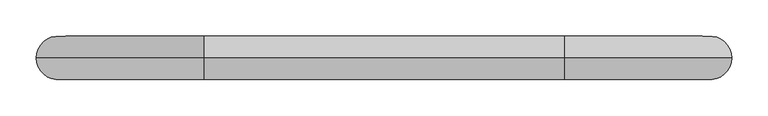
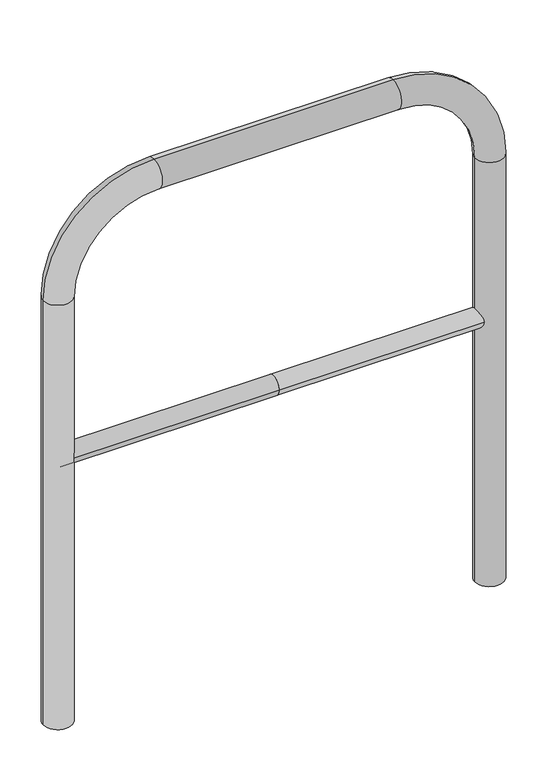
"""IFC4 building model written with IfcOpenShell, lengths in millimetres: proxy geometry."""

import ifcopenshell
import ifcopenshell.guid

model = None  # the IFC model being written
_history = None  # IfcOwnerHistory: only IFC2X3 demands one
_inside = {}  # id of a spatial element -> (the spatial element, [elements in it])
_under = {}  # id of a project, library or spatial element -> (it, [spatial elements below it])
_declared = {}  # id of a project -> (the project, [libraries it declares])
_typed = {}  # id of a type object -> (the type object, [elements of that type])
_made_of = {}  # id of a material, layer set ... -> (it, [elements and type objects made of it])


def new_model(schema):
    """Start an empty IFC model of exactly this schema.

    Asked for "IFC4X3", IfcOpenShell would pick the latest addendum, in which some entities
    have other attributes; the version numbers below select the first issue.
    IFC2X3 requires an IfcOwnerHistory on every rooted entity: one is made here for all.
    """
    global model, _history
    if schema == "IFC4X3":
        model = ifcopenshell.file(schema_version=(4, 3, 0, 0))
    else:
        model = ifcopenshell.file(schema=schema)
    _inside.clear()
    _under.clear()
    _declared.clear()
    _typed.clear()
    _made_of.clear()
    _history = None
    if model.schema == "IFC2X3":
        org = make("IfcOrganization", Name="unknown")
        user = make(
            "IfcPersonAndOrganization",
            ThePerson=make("IfcPerson", FamilyName="unknown"),
            TheOrganization=org,
        )
        app = make(
            "IfcApplication",
            ApplicationDeveloper=org,
            Version="unknown",
            ApplicationFullName="unknown",
            ApplicationIdentifier="unknown",
        )
        _history = make(
            "IfcOwnerHistory",
            OwningUser=user,
            OwningApplication=app,
            ChangeAction="ADDED",
            CreationDate=0,
        )
    return model


def make(cls, **values):
    """One entity of the class cls with the attributes given. An attribute that is None is left unset."""
    return model.create_entity(
        cls, **{name: value for name, value in values.items() if value is not None}
    )


def rooted(cls, **values):
    """An entity with a GlobalId (a new one), such as an element, a storey or a relation."""
    return make(cls, GlobalId=ifcopenshell.guid.new(), OwnerHistory=_history, **values)


def si_unit(unit_type, name, prefix=None):
    """IfcSIUnit, for example si_unit("LENGTHUNIT", "METRE", prefix="MILLI")."""
    return make("IfcSIUnit", UnitType=unit_type, Prefix=prefix, Name=name)


def assignment(units):
    """IfcUnitAssignment: the units of a project."""
    return None if units is None else make("IfcUnitAssignment", Units=units)


def point(xyz):
    """IfcCartesianPoint."""
    return None if xyz is None else make("IfcCartesianPoint", Coordinates=xyz)


def direction(xyz):
    """IfcDirection."""
    return None if xyz is None else make("IfcDirection", DirectionRatios=xyz)


def frame(location, z_axis=None, x_axis=None):
    """IfcAxis2Placement3D, a coordinate frame: its origin and axes. An axis left out is left unset."""
    return make(
        "IfcAxis2Placement3D",
        Location=point(location),
        Axis=direction(z_axis),
        RefDirection=direction(x_axis),
    )


def frame_2d(location, x_axis=None):
    """IfcAxis2Placement2D, a coordinate frame in the plane: its origin and x axis."""
    return make(
        "IfcAxis2Placement2D", Location=point(location), RefDirection=direction(x_axis)
    )


def origin():
    """The frame at (0, 0, 0) with its axes left unset."""
    return frame((0.0, 0.0, 0.0))


def place(relative_to, where):
    """IfcLocalPlacement: puts the frame where relative to a parent placement (None: the world)."""
    return make(
        "IfcLocalPlacement", PlacementRelTo=relative_to, RelativePlacement=where
    )


def context(
    kind, dimensions, precision=None, world=None, true_north=None, identifier=None
):
    """IfcGeometricRepresentationContext, for example the 3D "Model" context."""
    return make(
        "IfcGeometricRepresentationContext",
        ContextIdentifier=identifier,
        ContextType=kind,
        CoordinateSpaceDimension=dimensions,
        Precision=precision,
        WorldCoordinateSystem=world,
        TrueNorth=true_north,
    )


def project(units=None, contexts=None):
    """IfcProject with its units and contexts."""
    return rooted(
        "IfcProject",
        Name="project",
        RepresentationContexts=contexts,
        UnitsInContext=assignment(units),
    )


def spatial(cls, under=None, at=None, **own):
    """A site, building, storey or space (cls), placed at a placement, below another one or the project."""
    s = rooted(cls, ObjectPlacement=at, **own)
    if under is not None:
        _under.setdefault(under.id(), (under, []))[1].append(s)
    return s


def circle_curve(where, radius):
    """IfcCircle in the frame where."""
    return make("IfcCircle", Position=where, Radius=radius)


def ellipse_curve(where, semi_axis1, semi_axis2):
    """IfcEllipse in the frame where."""
    return make(
        "IfcEllipse", Position=where, SemiAxis1=semi_axis1, SemiAxis2=semi_axis2
    )


def trimmed(basis, trim1, trim2, sense, master):
    """IfcTrimmedCurve: the piece of a basis curve between two trims."""
    return make(
        "IfcTrimmedCurve",
        BasisCurve=basis,
        Trim1=trim1,
        Trim2=trim2,
        SenseAgreement=sense,
        MasterRepresentation=master,
    )


def segment(curve, same_sense, transition):
    """IfcCompositeCurveSegment."""
    return make(
        "IfcCompositeCurveSegment",
        Transition=transition,
        SameSense=same_sense,
        ParentCurve=curve,
    )


def composite_curve(segments, self_intersect=None):
    """IfcCompositeCurve: segments joined end to end."""
    return make("IfcCompositeCurve", Segments=segments, SelfIntersect=self_intersect)


def outline(outer, holes=None, kind="AREA"):
    """IfcArbitraryClosedProfileDef: a profile drawn as a closed curve; with holes, ...WithVoids."""
    if holes is None:
        return make("IfcArbitraryClosedProfileDef", ProfileType=kind, OuterCurve=outer)
    return make(
        "IfcArbitraryProfileDefWithVoids",
        ProfileType=kind,
        OuterCurve=outer,
        InnerCurves=holes,
    )


def extrude(swept, where, along, depth):
    """IfcExtrudedAreaSolid: the profile swept, set in the frame where, extruded along a direction by depth."""
    return make(
        "IfcExtrudedAreaSolid",
        SweptArea=swept,
        Position=where,
        ExtrudedDirection=direction(along),
        Depth=depth,
    )


def shape(context_of_items, identifier, shape_type, items):
    """IfcShapeRepresentation: the items that make up one representation, for example the "Body"."""
    return make(
        "IfcShapeRepresentation",
        ContextOfItems=context_of_items,
        RepresentationIdentifier=identifier,
        RepresentationType=shape_type,
        Items=items,
    )


def source(mapping_origin, context_of_items, identifier, shape_type, items):
    """IfcRepresentationMap: a shape defined once, which mapped items show again and again."""
    return make(
        "IfcRepresentationMap",
        MappingOrigin=mapping_origin,
        MappedRepresentation=shape(context_of_items, identifier, shape_type, items),
    )


def transform(
    local_origin,
    x_axis=None,
    y_axis=None,
    z_axis=None,
    scale=None,
    scale2=None,
    scale3=None,
    uniform=True,
):
    """IfcCartesianTransformationOperator3D, or its non-uniform kind. x_axis, y_axis, z_axis: its Axis1, 2, 3."""
    if uniform:
        return make(
            "IfcCartesianTransformationOperator3D",
            Axis1=direction(x_axis),
            Axis2=direction(y_axis),
            LocalOrigin=point(local_origin),
            Scale=scale,
            Axis3=direction(z_axis),
        )
    return make(
        "IfcCartesianTransformationOperator3DnonUniform",
        Axis1=direction(x_axis),
        Axis2=direction(y_axis),
        LocalOrigin=point(local_origin),
        Scale=scale,
        Axis3=direction(z_axis),
        Scale2=scale2,
        Scale3=scale3,
    )


def mapped(mapping_source, mapping_target):
    """IfcMappedItem: shows the shape of a source again, moved by a transform."""
    return make(
        "IfcMappedItem", MappingSource=mapping_source, MappingTarget=mapping_target
    )


def made_of(thing, what):
    """Note that an element or type object is made of a material, layer set ...; save() writes the relation."""
    if what is not None:
        _made_of.setdefault(what.id(), (what, []))[1].append(thing)
    return thing


def element(
    cls,
    number,
    at=None,
    inside=None,
    cuts=None,
    type_object=None,
    material=None,
    context=None,
    identifier="Body",
    shape_type=None,
    held_by="IfcProductDefinitionShape",
    body=None,
    shapes=None,
    **own,
):
    """One element of the class cls, such as IfcWall. Its Tag is "e" and its number.

    at: its placement. inside: the storey or other place that contains it. cuts: it is an
    opening in that element (IfcRelVoidsElement). A single representation is given by context,
    identifier, shape_type and body (its items); several are given by shapes. held_by: the class
    of the entity that holds the representations. save() writes the other relations.
    """
    e = rooted(cls, Tag="e%d" % number, ObjectPlacement=at, **own)
    if body is not None:
        shapes = [shape(context, identifier, shape_type, body)]
    if shapes is not None:
        e.Representation = make(held_by, Representations=shapes)
    if inside is not None:
        _inside.setdefault(inside.id(), (inside, []))[1].append(e)
    if cuts is not None:
        rooted(
            "IfcRelVoidsElement", RelatingBuildingElement=cuts, RelatedOpeningElement=e
        )
    if type_object is not None:
        _typed.setdefault(type_object.id(), (type_object, []))[1].append(e)
    return made_of(e, material)


def aggregate(whole, parts):
    """IfcRelAggregates: a whole, such as a stair, and the parts it consists of."""
    return rooted("IfcRelAggregates", RelatingObject=whole, RelatedObjects=parts)


def save(model, path):
    """Write the relations noted so far, then the file.

    IfcRelAggregates (storeys below a building ...), IfcRelContainedInSpatialStructure (elements
    in a storey), IfcRelDefinesByType, IfcRelAssociatesMaterial and IfcRelDeclares: one each for
    every whole, place, type object, material and project.
    """
    for whole, parts in _under.values():
        aggregate(whole, parts)
    for where, things in _inside.values():
        rooted(
            "IfcRelContainedInSpatialStructure",
            RelatedElements=things,
            RelatingStructure=where,
        )
    for kind, things in _typed.values():
        rooted("IfcRelDefinesByType", RelatedObjects=things, RelatingType=kind)
    for what, things in _made_of.values():
        rooted("IfcRelAssociatesMaterial", RelatedObjects=things, RelatingMaterial=what)
    for by, libraries in _declared.values():
        rooted("IfcRelDeclares", RelatingContext=by, RelatedDefinitions=libraries)
    model.write(path)


def plane_surface(at):
    """IfcPlane: the flat surface through the origin of the frame at, square to its z axis."""
    return make("IfcPlane", Position=at)


def cylinder_surface(at, radius):
    """IfcCylindricalSurface: all points at the distance radius from the z axis of the frame at."""
    return make("IfcCylindricalSurface", Position=at, Radius=radius)


def revolved_surface(curve, axis_point, axis_direction):
    """IfcSurfaceOfRevolution: the curve turned about the line through axis_point along axis_direction."""
    return make(
        "IfcSurfaceOfRevolution",
        SweptCurve=make("IfcArbitraryOpenProfileDef", ProfileType="CURVE", Curve=curve),
        AxisPosition=make("IfcAxis1Placement", Location=point(axis_point), Axis=direction(axis_direction)),
    )


def advanced_brep(points, edges, surfaces, faces):
    """IfcAdvancedBrep: a solid bounded by faces that lie on surfaces and meet in shared edges.

    An edge is (start, end): straight between two places in points (the first is 0);
    or (start, end, curve); or (start, end, curve, False) where it runs against its curve.
    A face is (place in surfaces, loops), or (place, loops, False) where it looks against
    its surface's normal. A loop lists edges by number (the first is 1), with a minus sign
    where the edge is run from its end to its start. The first loop is the outer one.
    """
    corners = [point(p) for p in points]
    vertices = [make("IfcVertexPoint", VertexGeometry=c) for c in corners]
    made = []
    for start, end, *more in edges:
        made.append(
            make(
                "IfcEdgeCurve",
                EdgeStart=vertices[start],
                EdgeEnd=vertices[end],
                EdgeGeometry=more[0] if more else make("IfcPolyline", Points=[corners[start], corners[end]]),
                SameSense=more[1] if len(more) > 1 else True,
            )
        )
    hull = []
    for where, loops, *sense in faces:
        bounds = []
        for j, loop in enumerate(loops):
            ring = [make("IfcOrientedEdge", EdgeElement=made[abs(k) - 1], Orientation=k > 0) for k in loop]
            bounds.append(
                make(
                    "IfcFaceOuterBound" if j == 0 else "IfcFaceBound",
                    Bound=make("IfcEdgeLoop", EdgeList=ring),
                    Orientation=True,
                )
            )
        hull.append(make("IfcAdvancedFace", Bounds=bounds, FaceSurface=surfaces[where], SameSense=sense[0] if sense else True))
    return make("IfcAdvancedBrep", Outer=make("IfcClosedShell", CfsFaces=hull))


def generic_models_510a9059(model_context):
    return source(origin(), model_context, "Body", "SolidModel", [
        extrude(outline(composite_curve([segment(trimmed(circle_curve(frame_2d((0.0, 498.4778375)), 20.0), [point((-20.0, 498.4778375))], [point((20.0, 498.4778375))], False, "CARTESIAN"), True, "CONTINUOUS"), segment(trimmed(circle_curve(frame_2d((0.0, 498.4778375)), 20.0), [point((20.0, 498.4778375))], [point((-20.0, 498.4778375))], False, "CARTESIAN"), True, "CONTINUOUS")], self_intersect=False)), frame((-448.0719952, 0.0, 0.0), z_axis=(1.0, 0.0, 0.0), x_axis=(0.0, 1.0, 0.0)), (0.0, 0.0, 1.0), 448.0719952),
        extrude(outline(composite_curve([segment(trimmed(circle_curve(frame_2d((0.0, 498.4778375)), 20.0), [point((-20.0, 498.4778375))], [point((20.0, 498.4778375))], False, "CARTESIAN"), True, "CONTINUOUS"), segment(trimmed(circle_curve(frame_2d((0.0, 498.4778375)), 20.0), [point((20.0, 498.4778375))], [point((-20.0, 498.4778375))], False, "CARTESIAN"), True, "CONTINUOUS")], self_intersect=False)), frame((0.0, 0.0, 0.0), z_axis=(1.0, 0.0, 0.0), x_axis=(0.0, 1.0, 0.0)), (0.0, 0.0, 1.0), 448.0719952),
        advanced_brep(
        [(-418.0719952, 0.0, -80.0), (-478.0719952, 0.0, -80.0), (-418.0719952, 0.0, 850.0), (-478.0719952, 0.0, 850.0), (-248.0719952, 0.0, 1080.0), (-248.0719952, 0.0, 1020.0), (248.0719952, 0.0, 1020.0), (248.0719952, 0.0, 1080.0), (478.0719952, 0.0, 850.0), (418.0719952, 0.0, 850.0), (418.0719952, 0.0, -80.0), (478.0719952, 0.0, -80.0)],
        [
            (0, 1, circle_curve(frame((-448.0719952, 0.0, -80.0), z_axis=(0.0, 0.0, -1.0), x_axis=(-1.0, 0.0, 0.0)), 30.0)),
            (1, 0, circle_curve(frame((-448.0719952, 0.0, -80.0), z_axis=(0.0, 0.0, -1.0), x_axis=(-1.0, 0.0, 0.0)), 30.0)),
            (0, 2),
            (2, 3, circle_curve(frame((-448.0719952, 0.0, 850.0), z_axis=(0.0, 0.0, -1.0), x_axis=(-1.0, 0.0, 0.0)), 30.0)),
            (3, 1),
            (3, 2, circle_curve(frame((-448.0719952, 0.0, 850.0), z_axis=(0.0, 0.0, -1.0), x_axis=(-1.0, 0.0, 0.0)), 30.0)),
            (4, 3, circle_curve(frame((-248.0719952, 0.0, 850.0), z_axis=(0.0, -1.0, 0.0), x_axis=(-1.0, 0.0, 0.0)), 230.0)),
            (2, 5, circle_curve(frame((-248.0719952, 0.0, 850.0), z_axis=(0.0, 1.0, 0.0), x_axis=(-1.0, 0.0, 0.0)), 170.0)),
            (5, 4, circle_curve(frame((-248.0719952, 0.0, 1050.0), z_axis=(-1.0, 0.0, 0.0), x_axis=(0.0, 0.0, 1.0)), 30.0)),
            (4, 5, circle_curve(frame((-248.0719952, 0.0, 1050.0), z_axis=(-1.0, 0.0, 0.0), x_axis=(0.0, 0.0, 1.0)), 30.0)),
            (5, 6),
            (6, 7, circle_curve(frame((248.0719952, 0.0, 1050.0), z_axis=(-1.0, 0.0, 0.0), x_axis=(0.0, 0.0, 1.0)), 30.0)),
            (7, 4),
            (7, 6, circle_curve(frame((248.0719952, 0.0, 1050.0), z_axis=(-1.0, 0.0, 0.0), x_axis=(0.0, 0.0, 1.0)), 30.0)),
            (8, 7, circle_curve(frame((248.0719952, 0.0, 850.0), z_axis=(0.0, -1.0, 0.0), x_axis=(0.0, 0.0, 1.0)), 230.0)),
            (6, 9, circle_curve(frame((248.0719952, 0.0, 850.0), z_axis=(0.0, 1.0, 0.0), x_axis=(0.0, 0.0, 1.0)), 170.0)),
            (9, 8, circle_curve(frame((448.0719952, 0.0, 850.0), z_axis=(0.0, 0.0, 1.0), x_axis=(1.0, 0.0, 0.0)), 30.0)),
            (8, 9, circle_curve(frame((448.0719952, 0.0, 850.0), z_axis=(0.0, 0.0, 1.0), x_axis=(1.0, 0.0, 0.0)), 30.0)),
            (10, 11, circle_curve(frame((448.0719952, 0.0, -80.0), z_axis=(0.0, 0.0, -1.0), x_axis=(1.0, 0.0, 0.0)), 30.0)),
            (11, 10, circle_curve(frame((448.0719952, 0.0, -80.0), z_axis=(0.0, 0.0, -1.0), x_axis=(1.0, 0.0, 0.0)), 30.0)),
            (9, 10),
            (11, 8),
        ],
        [
            plane_surface(frame((-448.0719952, 0.0, -80.0), z_axis=(0.0, 0.0, -1.0), x_axis=(0.0, -1.0, 0.0))),
            cylinder_surface(frame((-448.0719952, 0.0, -80.0), z_axis=(0.0, 0.0, -1.0), x_axis=(-1.0, 0.0, 0.0)), 30.0),
            revolved_surface(trimmed(ellipse_curve(frame((-448.0719952, 0.0, 850.0), z_axis=(0.0, 0.0, -1.0), x_axis=(-1.0, 0.0, 0.0)), 30.0, 30.0), [point((-418.0719952, 0.0, 850.0))], [point((-478.0719952, 0.0, 850.0))], True, "CARTESIAN"), (-248.0719952, 0.0, 850.0), (0.0, 1.0, 0.0)),
            revolved_surface(trimmed(ellipse_curve(frame((-448.0719952, 0.0, 850.0), z_axis=(0.0, 0.0, -1.0), x_axis=(-1.0, 0.0, 0.0)), 30.0, 30.0), [point((-478.0719952, 0.0, 850.0))], [point((-418.0719952, 0.0, 850.0))], True, "CARTESIAN"), (-248.0719952, 0.0, 850.0), (0.0, 1.0, 0.0)),
            cylinder_surface(frame((-248.0719952, 0.0, 1050.0), z_axis=(-1.0, 0.0, 0.0), x_axis=(0.0, 0.0, 1.0)), 30.0),
            revolved_surface(trimmed(ellipse_curve(frame((248.0719952, 0.0, 1050.0), z_axis=(-1.0, 0.0, 0.0), x_axis=(0.0, 0.0, 1.0)), 30.0, 30.0), [point((248.0719952, 0.0, 1020.0))], [point((248.0719952, 0.0, 1080.0))], True, "CARTESIAN"), (248.0719952, 0.0, 850.0), (0.0, 1.0, 0.0)),
            revolved_surface(trimmed(ellipse_curve(frame((248.0719952, 0.0, 1050.0), z_axis=(-1.0, 0.0, 0.0), x_axis=(0.0, 0.0, 1.0)), 30.0, 30.0), [point((248.0719952, 0.0, 1080.0))], [point((248.0719952, 0.0, 1020.0))], True, "CARTESIAN"), (248.0719952, 0.0, 850.0), (0.0, 1.0, 0.0)),
            plane_surface(frame((448.0719952, 0.0, -80.0), z_axis=(0.0, 0.0, -1.0), x_axis=(0.0, -1.0, 0.0))),
            cylinder_surface(frame((448.0719952, 0.0, 850.0), z_axis=(0.0, 0.0, 1.0), x_axis=(1.0, 0.0, 0.0)), 30.0),
        ],
        [
            (0, [[1, 2]]),
            (1, [[-1, 3, 4, 5]]),
            (1, [[-2, -5, 6, -3]]),
            (2, [[7, -4, 8, 9]]),
            (3, [[-8, -6, -7, 10]]),
            (4, [[-9, 11, 12, 13]]),
            (4, [[-10, -13, 14, -11]]),
            (5, [[15, -12, 16, 17]]),
            (6, [[-16, -14, -15, 18]]),
            (7, [[19, 20]]),
            (8, [[-17, 21, -20, 22]]),
            (8, [[-18, -22, -19, -21]]),
        ],
    ),
    ])


if __name__ == "__main__":
    model = new_model("IFC4")
    model_context = context("Model", 3, world=origin())
    ifc_project = project(units=[si_unit("LENGTHUNIT", "METRE", prefix="MILLI")], contexts=[model_context])
    site = spatial("IfcSite", under=ifc_project)
    building = spatial("IfcBuilding", under=site)
    placement = place(None, origin())
    generic_models_shape = generic_models_510a9059(model_context)
    element("IfcBuildingElementProxy", 1, Name="Generic Models", at=placement, inside=building, context=model_context, shape_type="MappedRepresentation", body=[
        mapped(generic_models_shape, transform((0.0, 0.0, 0.0), x_axis=(1.0, 0.0, 0.0), y_axis=(0.0, 1.0, 0.0), z_axis=(0.0, 0.0, 1.0))),
    ])
    save(model, "model.ifc")
